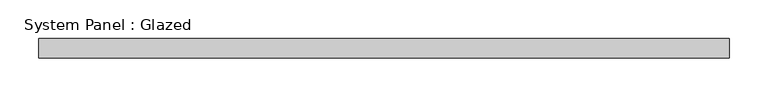
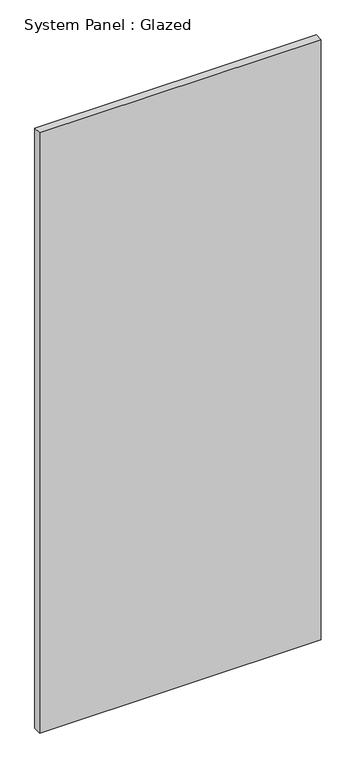
"""IFC4 building model written with IfcOpenShell, lengths in millimetres: plate geometry, System Panel : Glazed."""

from ifc_helpers import new_model, si_unit, origin, origin_with_axes, place, context, project, spatial, polyline, outline, extrude, source, transform, mapped, element, save


def system_panel_glazed_94ace7a8(model_context):
    return source(origin(), model_context, "Body", "SweptSolid", [
        extrude(outline(polyline([(446.5, 19.05), (-446.5, 19.05), (-446.5, 44.45), (446.5, 44.45), (446.5, 19.05)])), origin_with_axes(), (0.0, 0.0, 1.0), 2010.7536198),
    ])


if __name__ == "__main__":
    model = new_model("IFC4")
    model_context = context("Model", 3, world=origin())
    ifc_project = project(units=[si_unit("LENGTHUNIT", "METRE", prefix="MILLI")], contexts=[model_context])
    site = spatial("IfcSite", under=ifc_project)
    building = spatial("IfcBuilding", under=site)
    placement = place(None, origin())
    system_panel_glazed_shape = system_panel_glazed_94ace7a8(model_context)
    element("IfcPlate", 1, ObjectType="System Panel : Glazed", at=placement, inside=building, context=model_context, shape_type="MappedRepresentation", body=[
        mapped(system_panel_glazed_shape, transform((0.0, 0.0, 0.0), x_axis=(1.0, 0.0, 0.0), y_axis=(0.0, 1.0, 0.0), z_axis=(0.0, 0.0, 1.0))),
    ])
    save(model, "model.ifc")
